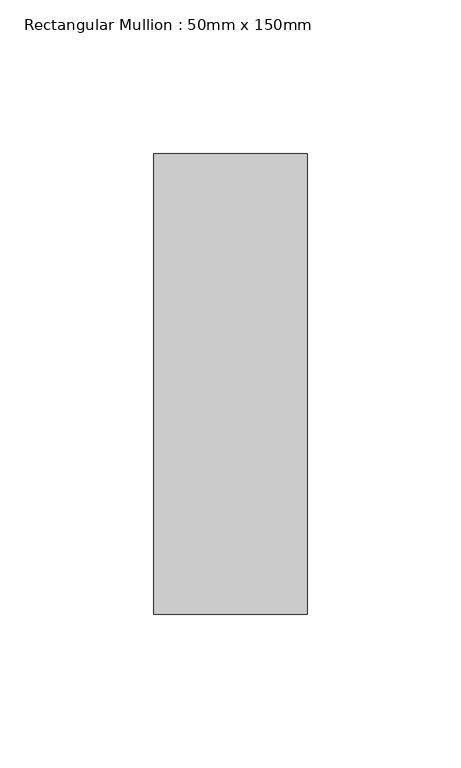
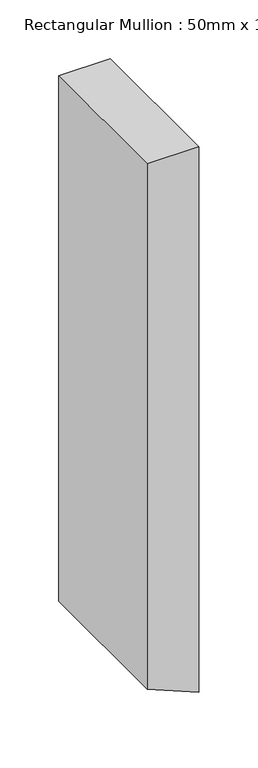
"""IFC4 building model written with IfcOpenShell, lengths in millimetres: member geometry, Rectangular Mullion : 50mm x 150mm."""

import ifcopenshell
import ifcopenshell.guid

model = None  # the IFC model being written
_history = None  # IfcOwnerHistory: only IFC2X3 demands one
_inside = {}  # id of a spatial element -> (the spatial element, [elements in it])
_under = {}  # id of a project, library or spatial element -> (it, [spatial elements below it])
_declared = {}  # id of a project -> (the project, [libraries it declares])
_typed = {}  # id of a type object -> (the type object, [elements of that type])
_made_of = {}  # id of a material, layer set ... -> (it, [elements and type objects made of it])


def new_model(schema):
    """Start an empty IFC model of exactly this schema.

    Asked for "IFC4X3", IfcOpenShell would pick the latest addendum, in which some entities
    have other attributes; the version numbers below select the first issue.
    IFC2X3 requires an IfcOwnerHistory on every rooted entity: one is made here for all.
    """
    global model, _history
    if schema == "IFC4X3":
        model = ifcopenshell.file(schema_version=(4, 3, 0, 0))
    else:
        model = ifcopenshell.file(schema=schema)
    _inside.clear()
    _under.clear()
    _declared.clear()
    _typed.clear()
    _made_of.clear()
    _history = None
    if model.schema == "IFC2X3":
        org = make("IfcOrganization", Name="unknown")
        user = make(
            "IfcPersonAndOrganization",
            ThePerson=make("IfcPerson", FamilyName="unknown"),
            TheOrganization=org,
        )
        app = make(
            "IfcApplication",
            ApplicationDeveloper=org,
            Version="unknown",
            ApplicationFullName="unknown",
            ApplicationIdentifier="unknown",
        )
        _history = make(
            "IfcOwnerHistory",
            OwningUser=user,
            OwningApplication=app,
            ChangeAction="ADDED",
            CreationDate=0,
        )
    return model


def make(cls, **values):
    """One entity of the class cls with the attributes given. An attribute that is None is left unset."""
    return model.create_entity(
        cls, **{name: value for name, value in values.items() if value is not None}
    )


def rooted(cls, **values):
    """An entity with a GlobalId (a new one), such as an element, a storey or a relation."""
    return make(cls, GlobalId=ifcopenshell.guid.new(), OwnerHistory=_history, **values)


def si_unit(unit_type, name, prefix=None):
    """IfcSIUnit, for example si_unit("LENGTHUNIT", "METRE", prefix="MILLI")."""
    return make("IfcSIUnit", UnitType=unit_type, Prefix=prefix, Name=name)


def assignment(units):
    """IfcUnitAssignment: the units of a project."""
    return None if units is None else make("IfcUnitAssignment", Units=units)


def point(xyz):
    """IfcCartesianPoint."""
    return None if xyz is None else make("IfcCartesianPoint", Coordinates=xyz)


def direction(xyz):
    """IfcDirection."""
    return None if xyz is None else make("IfcDirection", DirectionRatios=xyz)


def frame(location, z_axis=None, x_axis=None):
    """IfcAxis2Placement3D, a coordinate frame: its origin and axes. An axis left out is left unset."""
    return make(
        "IfcAxis2Placement3D",
        Location=point(location),
        Axis=direction(z_axis),
        RefDirection=direction(x_axis),
    )


def origin():
    """The frame at (0, 0, 0) with its axes left unset."""
    return frame((0.0, 0.0, 0.0))


def place(relative_to, where):
    """IfcLocalPlacement: puts the frame where relative to a parent placement (None: the world)."""
    return make(
        "IfcLocalPlacement", PlacementRelTo=relative_to, RelativePlacement=where
    )


def context(
    kind, dimensions, precision=None, world=None, true_north=None, identifier=None
):
    """IfcGeometricRepresentationContext, for example the 3D "Model" context."""
    return make(
        "IfcGeometricRepresentationContext",
        ContextIdentifier=identifier,
        ContextType=kind,
        CoordinateSpaceDimension=dimensions,
        Precision=precision,
        WorldCoordinateSystem=world,
        TrueNorth=true_north,
    )


def project(units=None, contexts=None):
    """IfcProject with its units and contexts."""
    return rooted(
        "IfcProject",
        Name="project",
        RepresentationContexts=contexts,
        UnitsInContext=assignment(units),
    )


def spatial(cls, under=None, at=None, **own):
    """A site, building, storey or space (cls), placed at a placement, below another one or the project."""
    s = rooted(cls, ObjectPlacement=at, **own)
    if under is not None:
        _under.setdefault(under.id(), (under, []))[1].append(s)
    return s


def polyline(points):
    """IfcPolyline through the points."""
    return make("IfcPolyline", Points=[point(p) for p in points])


def outline(outer, holes=None, kind="AREA"):
    """IfcArbitraryClosedProfileDef: a profile drawn as a closed curve; with holes, ...WithVoids."""
    if holes is None:
        return make("IfcArbitraryClosedProfileDef", ProfileType=kind, OuterCurve=outer)
    return make(
        "IfcArbitraryProfileDefWithVoids",
        ProfileType=kind,
        OuterCurve=outer,
        InnerCurves=holes,
    )


def extrude(swept, where, along, depth):
    """IfcExtrudedAreaSolid: the profile swept, set in the frame where, extruded along a direction by depth."""
    return make(
        "IfcExtrudedAreaSolid",
        SweptArea=swept,
        Position=where,
        ExtrudedDirection=direction(along),
        Depth=depth,
    )


def shape(context_of_items, identifier, shape_type, items):
    """IfcShapeRepresentation: the items that make up one representation, for example the "Body"."""
    return make(
        "IfcShapeRepresentation",
        ContextOfItems=context_of_items,
        RepresentationIdentifier=identifier,
        RepresentationType=shape_type,
        Items=items,
    )


def source(mapping_origin, context_of_items, identifier, shape_type, items):
    """IfcRepresentationMap: a shape defined once, which mapped items show again and again."""
    return make(
        "IfcRepresentationMap",
        MappingOrigin=mapping_origin,
        MappedRepresentation=shape(context_of_items, identifier, shape_type, items),
    )


def transform(
    local_origin,
    x_axis=None,
    y_axis=None,
    z_axis=None,
    scale=None,
    scale2=None,
    scale3=None,
    uniform=True,
):
    """IfcCartesianTransformationOperator3D, or its non-uniform kind. x_axis, y_axis, z_axis: its Axis1, 2, 3."""
    if uniform:
        return make(
            "IfcCartesianTransformationOperator3D",
            Axis1=direction(x_axis),
            Axis2=direction(y_axis),
            LocalOrigin=point(local_origin),
            Scale=scale,
            Axis3=direction(z_axis),
        )
    return make(
        "IfcCartesianTransformationOperator3DnonUniform",
        Axis1=direction(x_axis),
        Axis2=direction(y_axis),
        LocalOrigin=point(local_origin),
        Scale=scale,
        Axis3=direction(z_axis),
        Scale2=scale2,
        Scale3=scale3,
    )


def mapped(mapping_source, mapping_target):
    """IfcMappedItem: shows the shape of a source again, moved by a transform."""
    return make(
        "IfcMappedItem", MappingSource=mapping_source, MappingTarget=mapping_target
    )


def made_of(thing, what):
    """Note that an element or type object is made of a material, layer set ...; save() writes the relation."""
    if what is not None:
        _made_of.setdefault(what.id(), (what, []))[1].append(thing)
    return thing


def element(
    cls,
    number,
    at=None,
    inside=None,
    cuts=None,
    type_object=None,
    material=None,
    context=None,
    identifier="Body",
    shape_type=None,
    held_by="IfcProductDefinitionShape",
    body=None,
    shapes=None,
    **own,
):
    """One element of the class cls, such as IfcWall. Its Tag is "e" and its number.

    at: its placement. inside: the storey or other place that contains it. cuts: it is an
    opening in that element (IfcRelVoidsElement). A single representation is given by context,
    identifier, shape_type and body (its items); several are given by shapes. held_by: the class
    of the entity that holds the representations. save() writes the other relations.
    """
    e = rooted(cls, Tag="e%d" % number, ObjectPlacement=at, **own)
    if body is not None:
        shapes = [shape(context, identifier, shape_type, body)]
    if shapes is not None:
        e.Representation = make(held_by, Representations=shapes)
    if inside is not None:
        _inside.setdefault(inside.id(), (inside, []))[1].append(e)
    if cuts is not None:
        rooted(
            "IfcRelVoidsElement", RelatingBuildingElement=cuts, RelatedOpeningElement=e
        )
    if type_object is not None:
        _typed.setdefault(type_object.id(), (type_object, []))[1].append(e)
    return made_of(e, material)


def aggregate(whole, parts):
    """IfcRelAggregates: a whole, such as a stair, and the parts it consists of."""
    return rooted("IfcRelAggregates", RelatingObject=whole, RelatedObjects=parts)


def save(model, path):
    """Write the relations noted so far, then the file.

    IfcRelAggregates (storeys below a building ...), IfcRelContainedInSpatialStructure (elements
    in a storey), IfcRelDefinesByType, IfcRelAssociatesMaterial and IfcRelDeclares: one each for
    every whole, place, type object, material and project.
    """
    for whole, parts in _under.values():
        aggregate(whole, parts)
    for where, things in _inside.values():
        rooted(
            "IfcRelContainedInSpatialStructure",
            RelatedElements=things,
            RelatingStructure=where,
        )
    for kind, things in _typed.values():
        rooted("IfcRelDefinesByType", RelatedObjects=things, RelatingType=kind)
    for what, things in _made_of.values():
        rooted("IfcRelAssociatesMaterial", RelatedObjects=things, RelatingMaterial=what)
    for by, libraries in _declared.values():
        rooted("IfcRelDeclares", RelatingContext=by, RelatedDefinitions=libraries)
    model.write(path)


def rectangular_mullion_50mm_x_150mm_329933ce(model_context):
    return source(origin(), model_context, "Body", "SweptSolid", [
        extrude(outline(polyline([(0.0, 0.0), (0.0, -50.0), (-543.5533906, -50.0), (-564.2640687, 0.0), (0.0, 0.0)])), frame((0.0, -75.0, 0.0), z_axis=(0.0, 1.0, 0.0), x_axis=(0.0, 0.0, 1.0)), (0.0, 0.0, 1.0), 150.0),
    ])


if __name__ == "__main__":
    model = new_model("IFC4")
    model_context = context("Model", 3, world=origin())
    ifc_project = project(units=[si_unit("LENGTHUNIT", "METRE", prefix="MILLI")], contexts=[model_context])
    site = spatial("IfcSite", under=ifc_project)
    building = spatial("IfcBuilding", under=site)
    placement = place(None, origin())
    rectangular_mullion_50mm_x_150mm_shape = rectangular_mullion_50mm_x_150mm_329933ce(model_context)
    element("IfcMember", 1, ObjectType="Rectangular Mullion : 50mm x 150mm", at=placement, inside=building, context=model_context, shape_type="MappedRepresentation", body=[
        mapped(rectangular_mullion_50mm_x_150mm_shape, transform((0.0, 0.0, 0.0), x_axis=(1.0, 0.0, 0.0), y_axis=(0.0, 1.0, 0.0), z_axis=(0.0, 0.0, 1.0))),
    ])
    save(model, "model.ifc")
